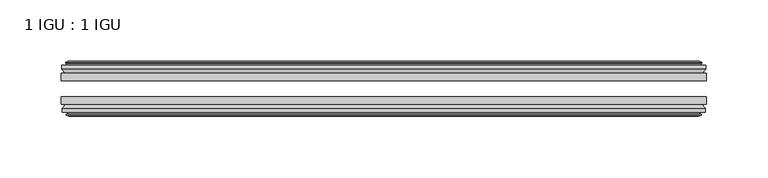
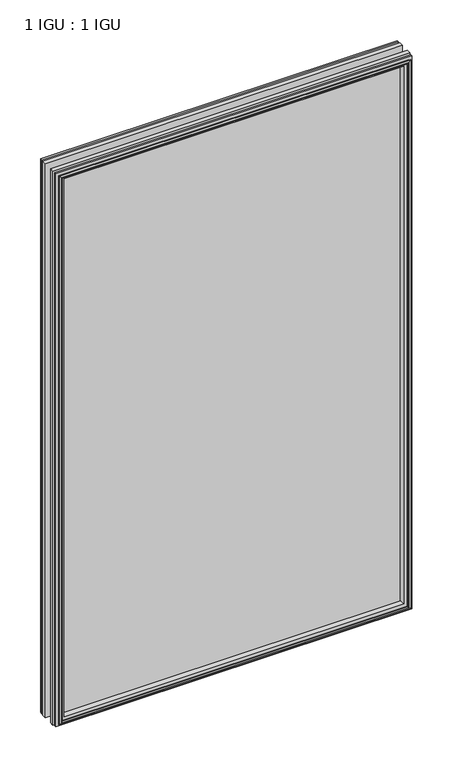
"""IFC4 building model written with IfcOpenShell, lengths in millimetres: plate geometry, 1 IGU : 1 IGU."""

from ifc_helpers import new_model, si_unit, frame, origin, place, context, project, spatial, polyline, outline, extrude, faceted_brep, source, transform, mapped, element, save


def plate_1_igu_1_igu_9140c945(model_context):
    return source(origin(), model_context, "Body", "SolidModel", [
        extrude(outline(polyline([(263.525, -25.8960937), (263.525, -32.2460938), (-263.525, -32.2460938), (-263.525, -25.8960937), (263.525, -25.8960937)])), frame((0.0, 0.0, -12.7), z_axis=(0.0, 0.0, 1.0), x_axis=(1.0, 0.0, 0.0)), (0.0, 0.0, 1.0), 863.6),
        extrude(outline(polyline([(-263.525, -51.2960938), (-263.525, -45.2686737), (263.525, -45.2686737), (263.525, -51.2960938), (-263.525, -51.2960938)])), frame((0.0, 0.0, -12.7), z_axis=(0.0, 0.0, 1.0), x_axis=(1.0, 0.0, 0.0)), (0.0, 0.0, 1.0), 863.6),
        faceted_brep([(-257.937, -60.0262907, 845.312), (-258.318, -57.6460937, 845.693), (-258.318, -57.6460937, -7.493), (-257.937, -60.0262907, -7.112), (-259.3525291, -59.5663575, 846.7275291), (-259.3525291, -59.5663575, -8.5275291), (-259.3525291, -60.3675717, 846.7275291), (-259.3525291, -60.3675717, -8.5275291), (-257.175, -61.0750937, 844.55), (-257.175, -61.0750937, -6.35), (-254.9974709, -60.3675717, 842.3724709), (-254.9974709, -60.3675717, -4.1724709), (-254.9974709, -59.5663575, 842.3724709), (-254.9974709, -59.5663575, -4.1724709), (-256.413, -60.0262907, 843.788), (-256.413, -60.0262907, -5.588), (-256.032, -57.6460937, 843.407), (-256.032, -57.6460937, -5.207), (-249.1072819, -51.2960937, 836.4822819), (-250.825, -57.6460937, 838.2), (-250.825, -57.6460937, 0.0), (-249.1072819, -51.2960937, 1.7177181), (-262.763, -54.6996937, 850.138), (-259.9286578, -51.2960937, 847.3036578), (-259.9286578, -51.2960937, -9.1036578), (-262.763, -54.6996937, -11.938), (-262.763, -57.6460937, 850.138), (-262.763, -57.6460937, -11.938), (258.318, -57.6460938, -7.493), (257.937, -60.0262907, -7.112), (259.3525291, -59.5663575, -8.5275291), (259.3525291, -60.3675717, -8.5275291), (257.175, -61.0750937, -6.35), (254.9974709, -60.3675717, -4.1724709), (254.9974709, -59.5663575, -4.1724709), (256.413, -60.0262907, -5.588), (256.032, -57.6460937, -5.207), (250.825, -57.6460937, 0.0), (249.1072819, -51.2960937, 1.7177181), (259.9286578, -51.2960937, -9.1036578), (262.763, -54.6996937, -11.938), (262.763, -57.6460938, -11.938), (258.318, -57.6460938, 845.693), (257.937, -60.0262907, 845.312), (259.3525291, -59.5663575, 846.7275291), (259.3525291, -60.3675717, 846.7275291), (257.175, -61.0750937, 844.55), (254.9974709, -60.3675717, 842.3724709), (254.9974709, -59.5663575, 842.3724709), (256.413, -60.0262907, 843.788), (256.032, -57.6460937, 843.407), (250.825, -57.6460937, 838.2), (249.1072819, -51.2960937, 836.4822819), (259.9286578, -51.2960937, 847.3036578), (262.763, -54.6996937, 850.138), (262.763, -57.6460938, 850.138)], [[[0, 1, 2, 3]], [[4, 0, 3, 5]], [[6, 4, 5, 7]], [[8, 6, 7, 9]], [[10, 8, 9, 11]], [[12, 10, 11, 13]], [[14, 12, 13, 15]], [[16, 14, 15, 17]], [[18, 19, 20, 21]], [[22, 23, 24, 25]], [[26, 22, 25, 27]], [[3, 2, 28, 29]], [[5, 3, 29, 30]], [[7, 5, 30, 31]], [[9, 7, 31, 32]], [[11, 9, 32, 33]], [[13, 11, 33, 34]], [[15, 13, 34, 35]], [[17, 15, 35, 36]], [[21, 20, 37, 38]], [[25, 24, 39, 40]], [[27, 25, 40, 41]], [[29, 28, 42, 43]], [[30, 29, 43, 44]], [[31, 30, 44, 45]], [[32, 31, 45, 46]], [[33, 32, 46, 47]], [[34, 33, 47, 48]], [[35, 34, 48, 49]], [[36, 35, 49, 50]], [[38, 37, 51, 52]], [[40, 39, 53, 54]], [[41, 40, 54, 55]], [[27, 41, 55, 26], [1, 42, 28, 2]], [[43, 42, 1, 0]], [[44, 43, 0, 4]], [[45, 44, 4, 6]], [[46, 45, 6, 8]], [[47, 46, 8, 10]], [[48, 47, 10, 12]], [[49, 48, 12, 14]], [[50, 49, 14, 16]], [[17, 36, 50, 16], [19, 51, 37, 20]], [[52, 51, 19, 18]], [[23, 53, 39, 24], [21, 38, 52, 18]], [[54, 53, 23, 22]], [[55, 54, 22, 26]]]),
        faceted_brep([(-260.4493578, -25.8960937, 847.8243578), (-263.2837, -22.4924937, 850.6587), (-263.2837, -22.4924937, -12.4587), (-260.4493578, -25.8960937, -9.6243578), (-251.3457, -19.5460937, 838.7207), (-249.6279819, -25.8960937, 837.0029819), (-249.6279819, -25.8960937, 1.1970181), (-251.3457, -19.5460937, -0.5207), (-256.9337, -17.1658968, 844.3087), (-256.5527, -19.5460937, 843.9277), (-256.5527, -19.5460937, -5.7277), (-256.9337, -17.1658968, -6.1087), (-255.5181709, -17.62583, 842.8931709), (-255.5181709, -17.62583, -4.6931709), (-255.5181709, -16.8246158, 842.8931709), (-255.5181709, -16.8246158, -4.6931709), (-257.6957, -16.1170937, 845.0707), (-257.6957, -16.1170937, -6.8707), (-259.8732291, -16.8246158, 847.2482291), (-259.8732291, -16.8246158, -9.0482291), (-259.8732291, -17.62583, 847.2482291), (-259.8732291, -17.62583, -9.0482291), (-258.4577, -17.1658968, 845.8327), (-258.4577, -17.1658968, -7.6327), (-258.8387, -19.5460937, 846.2137), (-258.8387, -19.5460937, -8.0137), (-263.2837, -19.5460937, 850.6587), (-263.2837, -19.5460937, -12.4587), (263.2837, -22.4924937, -12.4587), (260.4493578, -25.8960937, -9.6243578), (249.6279819, -25.8960937, 1.1970181), (251.3457, -19.5460937, -0.5207), (256.5527, -19.5460937, -5.7277), (256.9337, -17.1658968, -6.1087), (255.5181709, -17.62583, -4.6931709), (255.5181709, -16.8246158, -4.6931709), (257.6957, -16.1170937, -6.8707), (259.8732291, -16.8246158, -9.0482291), (259.8732291, -17.62583, -9.0482291), (258.4577, -17.1658968, -7.6327), (258.8387, -19.5460937, -8.0137), (263.2837, -19.5460937, -12.4587), (263.2837, -22.4924937, 850.6587), (260.4493578, -25.8960937, 847.8243578), (249.6279819, -25.8960937, 837.0029819), (251.3457, -19.5460937, 838.7207), (256.5527, -19.5460937, 843.9277), (256.9337, -17.1658968, 844.3087), (255.5181709, -17.62583, 842.8931709), (255.5181709, -16.8246158, 842.8931709), (257.6957, -16.1170937, 845.0707), (259.8732291, -16.8246158, 847.2482291), (259.8732291, -17.62583, 847.2482291), (258.4577, -17.1658968, 845.8327), (258.8387, -19.5460937, 846.2137), (263.2837, -19.5460937, 850.6587)], [[[0, 1, 2, 3]], [[4, 5, 6, 7]], [[8, 9, 10, 11]], [[12, 8, 11, 13]], [[14, 12, 13, 15]], [[16, 14, 15, 17]], [[18, 16, 17, 19]], [[20, 18, 19, 21]], [[22, 20, 21, 23]], [[24, 22, 23, 25]], [[1, 26, 27, 2]], [[3, 2, 28, 29]], [[7, 6, 30, 31]], [[11, 10, 32, 33]], [[13, 11, 33, 34]], [[15, 13, 34, 35]], [[17, 15, 35, 36]], [[19, 17, 36, 37]], [[21, 19, 37, 38]], [[23, 21, 38, 39]], [[25, 23, 39, 40]], [[2, 27, 41, 28]], [[29, 28, 42, 43]], [[31, 30, 44, 45]], [[33, 32, 46, 47]], [[34, 33, 47, 48]], [[35, 34, 48, 49]], [[36, 35, 49, 50]], [[37, 36, 50, 51]], [[38, 37, 51, 52]], [[39, 38, 52, 53]], [[40, 39, 53, 54]], [[28, 41, 55, 42]], [[43, 42, 1, 0]], [[3, 29, 43, 0], [5, 44, 30, 6]], [[45, 44, 5, 4]], [[9, 46, 32, 10], [7, 31, 45, 4]], [[47, 46, 9, 8]], [[48, 47, 8, 12]], [[49, 48, 12, 14]], [[50, 49, 14, 16]], [[51, 50, 16, 18]], [[52, 51, 18, 20]], [[53, 52, 20, 22]], [[54, 53, 22, 24]], [[26, 55, 41, 27], [25, 40, 54, 24]], [[42, 55, 26, 1]]]),
    ])


if __name__ == "__main__":
    model = new_model("IFC4")
    model_context = context("Model", 3, world=origin())
    ifc_project = project(units=[si_unit("LENGTHUNIT", "METRE", prefix="MILLI")], contexts=[model_context])
    site = spatial("IfcSite", under=ifc_project)
    building = spatial("IfcBuilding", under=site)
    placement = place(None, origin())
    plate_1_igu_1_igu_shape = plate_1_igu_1_igu_9140c945(model_context)
    element("IfcPlate", 1, ObjectType="1 IGU : 1 IGU", at=placement, inside=building, context=model_context, shape_type="MappedRepresentation", body=[
        mapped(plate_1_igu_1_igu_shape, transform((0.0, 0.0, 0.0), x_axis=(1.0, 0.0, 0.0), y_axis=(0.0, 1.0, 0.0), z_axis=(0.0, 0.0, 1.0))),
    ])
    save(model, "model.ifc")
